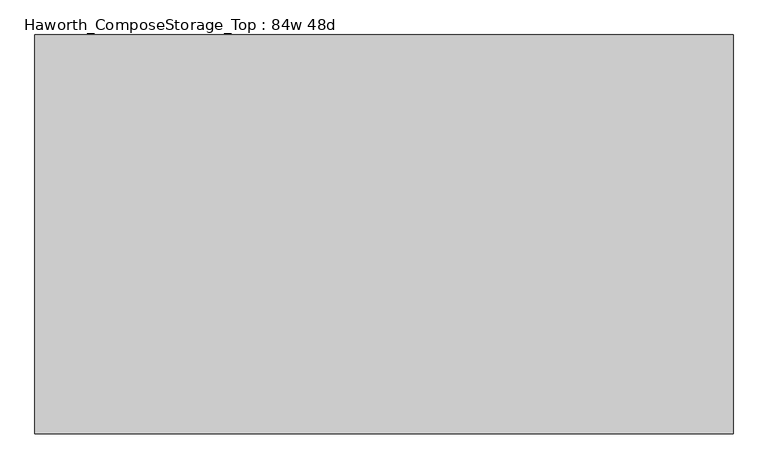
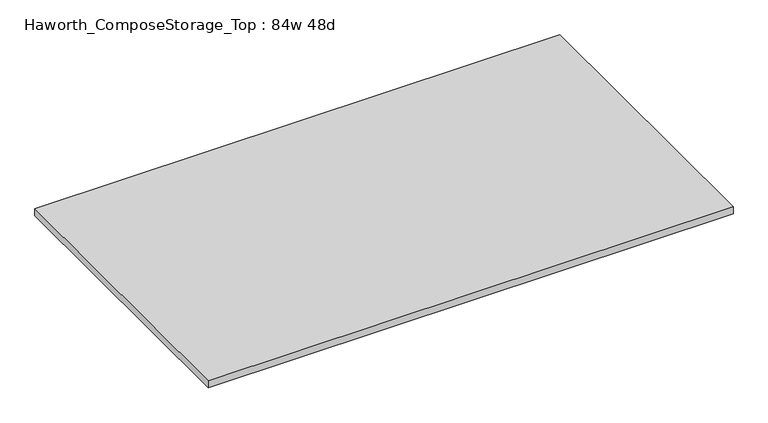
"""IFC4 building model written with IfcOpenShell, lengths in millimetres: furniture geometry, Haworth_ComposeStorage_Top : 84w 48d."""

from ifc_helpers import new_model, si_unit, frame, origin, place, context, project, spatial, polyline, outline, extrude, source, transform, mapped, element, save


def haworth_composestorage_top_84w_48d_fc0903e7(model_context):
    return source(origin(), model_context, "Body", "SweptSolid", [
        extrude(outline(polyline([(1066.8, 609.6), (1066.8, -609.6), (-1066.8, -609.6), (-1066.8, 609.6), (1066.8, 609.6)])), frame((0.0, 0.0, 706.4375), z_axis=(0.0, 0.0, 1.0), x_axis=(1.0, 0.0, 0.0)), (0.0, 0.0, 1.0), 30.1625),
    ])


if __name__ == "__main__":
    model = new_model("IFC4")
    model_context = context("Model", 3, world=origin())
    ifc_project = project(units=[si_unit("LENGTHUNIT", "METRE", prefix="MILLI")], contexts=[model_context])
    site = spatial("IfcSite", under=ifc_project)
    building = spatial("IfcBuilding", under=site)
    placement = place(None, origin())
    haworth_composestorage_top_84w_48d_shape = haworth_composestorage_top_84w_48d_fc0903e7(model_context)
    element("IfcFurniture", 1, ObjectType="Haworth_ComposeStorage_Top : 84w 48d", at=placement, inside=building, context=model_context, shape_type="MappedRepresentation", body=[
        mapped(haworth_composestorage_top_84w_48d_shape, transform((0.0, 0.0, 0.0), x_axis=(1.0, 0.0, 0.0), y_axis=(0.0, 1.0, 0.0), z_axis=(0.0, 0.0, 1.0))),
    ])
    save(model, "model.ifc")
